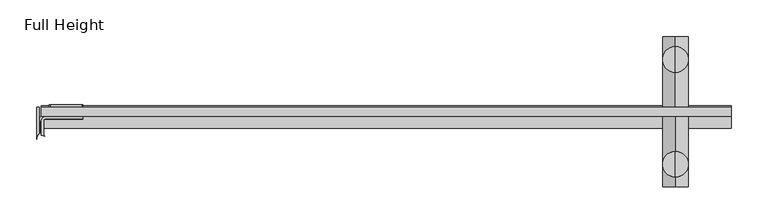
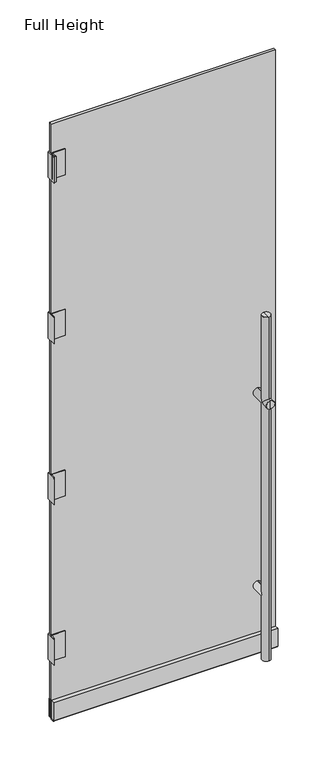
"""IFC4 building model written with IfcOpenShell, lengths in millimetres: plate geometry, Full Height."""

from ifc_helpers import new_model, si_unit, point, frame, frame_2d, origin, place, context, project, spatial, polyline, circle_curve, ellipse_curve, trimmed, segment, composite_curve, outline, extrude, source, transform, mapped, element, save
from ifc_brep_helpers import plane_surface, cylinder_surface, revolved_surface, advanced_brep


def full_height_0d3d3386(model_context):
    return source(origin(), model_context, "Body", "SolidModel", [
        advanced_brep(
        [(395.1192186, -92.4935, 1536.7), (395.1192186, -57.4935, 1536.7), (395.1192186, -57.4935, 1173.2127), (377.6192186, -74.9935, 1155.7127), (395.1192186, -92.4935, 1173.2127), (395.1192186, -57.4935, 12.7), (395.1192186, -92.4935, 12.7), (395.1192186, -92.4935, 1138.2127), (395.1192186, -57.4935, 1138.2127), (395.1192186, -57.4935, 317.5375), (377.6192186, -74.9935, 300.0375), (395.1192186, -57.4935, 282.5375), (395.1192186, -74.9935, 1536.7), (395.1192186, 50.3815, 1536.7), (395.1192186, 85.3815, 1536.7), (395.1192186, 67.8815, 1536.7), (395.1192186, 85.3815, 282.5375), (395.1192186, 50.3815, 282.5375), (395.1192186, 67.8815, 282.5375), (395.1192186, -9.906, 282.5375), (395.1192186, -9.906, 317.5375), (412.6192186, -74.9935, 300.0375), (395.1192186, 2.794, 282.5375), (395.1192186, 2.794, 317.5375), (395.1192186, 50.3815, 317.5375), (377.6192186, 67.8815, 300.0375), (395.1192186, 2.794, 312.5375), (395.1192186, 2.794, 287.5375), (395.1192186, -9.906, 287.5375), (395.1192186, -9.906, 312.5375), (395.1192186, -105.906, 1138.2127), (395.1192186, -105.906, 1173.2127), (395.1192186, -9.906, 1173.2127), (395.1192186, -9.906, 1138.2127), (395.1192186, -9.906, 1143.2127), (395.1192186, -9.906, 1168.2127), (395.1192186, -105.906, 1155.7127), (412.6192186, -74.9935, 1155.7127), (395.1192186, 2.794, 1143.2127), (395.1192186, 2.794, 1168.2127), (395.1192186, 2.794, 1138.2127), (395.1192186, 2.794, 1173.2127), (395.1192186, 50.3815, 1138.2127), (412.6192186, 67.8815, 1155.7127), (395.1192186, 50.3815, 1173.2127), (395.1192186, 98.794, 1138.2127), (395.1192186, 98.794, 1173.2127), (395.1192186, 85.3815, 1173.2127), (395.1192186, 85.3815, 1138.2127), (377.6192186, 67.8815, 1155.7127), (395.1192186, 98.794, 1155.7127), (395.1192186, -74.9935, 12.7), (412.6192186, 67.8815, 300.0375)],
        [
            (0, 1, circle_curve(frame((395.1192186, -74.9935, 1536.7), z_axis=(0.0, 0.0, -1.0), x_axis=(0.0, -1.0, 0.0)), 17.5)),
            (1, 2),
            (2, 3, ellipse_curve(frame((395.1192186, -74.9935, 1155.7127), z_axis=(0.0, -0.7071067811865475, 0.7071067811865475), x_axis=(0.0, 0.7071067811865474, 0.7071067811865477)), 24.7487373, 17.5)),
            (3, 4, ellipse_curve(frame((395.1192186, -74.9935, 1155.7127), z_axis=(0.0, 0.7071067811865475, 0.7071067811865476), x_axis=(0.0, -0.7071067811865476, 0.7071067811865474)), 24.7487373, 17.5)),
            (4, 0),
            (5, 6, circle_curve(frame((395.1192186, -74.9935, 12.7), z_axis=(0.0, 0.0, 1.0), x_axis=(0.0, -1.0, 0.0)), 17.5)),
            (6, 7),
            (7, 3, ellipse_curve(frame((395.1192186, -74.9935, 1155.7127), z_axis=(0.0, 0.7071067811865475, -0.7071067811865475), x_axis=(0.0, 0.7071067811865474, 0.7071067811865477)), 24.7487373, 17.5)),
            (3, 8, ellipse_curve(frame((395.1192186, -74.9935, 1155.7127), z_axis=(0.0, -0.7071067811865475, -0.7071067811865476), x_axis=(0.0, -0.7071067811865476, 0.7071067811865474)), 24.7487373, 17.5)),
            (8, 9),
            (9, 10, ellipse_curve(frame((395.1192186, -74.9935, 300.0375), z_axis=(0.0, -0.7071067811865475, 0.7071067811865475), x_axis=(0.0, 0.7071067811865474, 0.7071067811865477)), 24.7487373, 17.5)),
            (10, 11, ellipse_curve(frame((395.1192186, -74.9935, 300.0375), z_axis=(0.0, -0.7071067811865475, -0.7071067811865476), x_axis=(0.0, -0.7071067811865476, 0.7071067811865474)), 24.7487373, 17.5)),
            (11, 5),
            (0, 1, circle_curve(frame((395.1192186, -74.9935, 1536.7), z_axis=(0.0, 0.0, 1.0), x_axis=(0.0, -1.0, 0.0)), 17.5)),
            (1, 12),
            (12, 0),
            (13, 14, circle_curve(frame((395.1192186, 67.8815, 1536.7), z_axis=(0.0, 0.0, 1.0), x_axis=(0.0, 1.0, 0.0)), 17.5)),
            (14, 15),
            (15, 13),
            (14, 13, circle_curve(frame((395.1192186, 67.8815, 1536.7), z_axis=(0.0, 0.0, 1.0), x_axis=(0.0, 1.0, 0.0)), 17.5)),
            (16, 17, circle_curve(frame((395.1192186, 67.8815, 282.5375), z_axis=(0.0, 0.0, -1.0), x_axis=(0.0, 1.0, 0.0)), 17.5)),
            (17, 18),
            (18, 16),
            (19, 20, circle_curve(frame((395.1192186, -9.906, 300.0375), z_axis=(0.0, -1.0, 0.0), x_axis=(0.0, 0.0, -1.0)), 17.5)),
            (20, 9),
            (9, 21, ellipse_curve(frame((395.1192186, -74.9935, 300.0375), z_axis=(0.0, 0.7071067811865475, -0.7071067811865475), x_axis=(0.0, -0.7071067811865476, -0.7071067811865474)), 24.7487373, 17.5)),
            (21, 11, ellipse_curve(frame((395.1192186, -74.9935, 300.0375), z_axis=(0.0, 0.7071067811865475, 0.7071067811865476), x_axis=(0.0, -0.7071067811865476, 0.7071067811865475)), 24.7487373, 17.5)),
            (11, 19),
            (20, 19, circle_curve(frame((395.1192186, -9.906, 300.0375), z_axis=(0.0, -1.0, 0.0), x_axis=(0.0, 0.0, -1.0)), 17.5)),
            (22, 23, circle_curve(frame((395.1192186, 2.794, 300.0375), z_axis=(0.0, 1.0, 0.0), x_axis=(0.0, 0.0, -1.0)), 17.5)),
            (23, 24),
            (24, 25, ellipse_curve(frame((395.1192186, 67.8815, 300.0375), z_axis=(0.0, -0.7071067811865475, -0.7071067811865475), x_axis=(0.0, -0.7071067811865476, 0.7071067811865474)), 24.7487373, 17.5)),
            (25, 17, ellipse_curve(frame((395.1192186, 67.8815, 300.0375), z_axis=(0.0, -0.7071067811865475, 0.7071067811865476), x_axis=(0.0, -0.7071067811865476, -0.7071067811865475)), 24.7487373, 17.5)),
            (17, 22),
            (26, 27, circle_curve(frame((395.1192186, 2.794, 300.0375), z_axis=(0.0, -1.0, 0.0), x_axis=(0.0, 0.0, -1.0)), 12.5)),
            (27, 28),
            (28, 29, circle_curve(frame((395.1192186, -9.906, 300.0375), z_axis=(0.0, 1.0, 0.0), x_axis=(0.0, 0.0, -1.0)), 12.5)),
            (29, 26),
            (20, 29),
            (28, 19),
            (30, 31, circle_curve(frame((395.1192186, -105.906, 1155.7127), z_axis=(0.0, 1.0, 0.0), x_axis=(0.0, 0.0, 1.0)), 17.5)),
            (31, 4),
            (7, 30),
            (32, 33, circle_curve(frame((395.1192186, -9.906, 1155.7127), z_axis=(0.0, -1.0, 0.0), x_axis=(0.0, 0.0, 1.0)), 17.5)),
            (33, 8),
            (2, 32),
            (32, 33, circle_curve(frame((395.1192186, -9.906, 1155.7127), z_axis=(0.0, 1.0, 0.0), x_axis=(0.0, 0.0, 1.0)), 17.5)),
            (33, 34),
            (34, 35, circle_curve(frame((395.1192186, -9.906, 1155.7127), z_axis=(0.0, -1.0, 0.0), x_axis=(0.0, 0.0, 1.0)), 12.5)),
            (35, 32),
            (30, 31, circle_curve(frame((395.1192186, -105.906, 1155.7127), z_axis=(0.0, -1.0, 0.0), x_axis=(0.0, 0.0, 1.0)), 17.5)),
            (31, 36),
            (36, 30),
            (7, 37, ellipse_curve(frame((395.1192186, -74.9935, 1155.7127), z_axis=(0.0, -0.7071067811865475, 0.7071067811865475), x_axis=(0.0, 0.7071067811865476, 0.7071067811865474)), 24.7487373, 17.5)),
            (37, 4, ellipse_curve(frame((395.1192186, -74.9935, 1155.7127), z_axis=(0.0, -0.7071067811865475, -0.7071067811865476), x_axis=(0.0, 0.7071067811865476, -0.7071067811865475)), 24.7487373, 17.5)),
            (2, 37, ellipse_curve(frame((395.1192186, -74.9935, 1155.7127), z_axis=(0.0, 0.7071067811865475, -0.7071067811865475), x_axis=(0.0, 0.7071067811865476, 0.7071067811865474)), 24.7487373, 17.5)),
            (37, 8, ellipse_curve(frame((395.1192186, -74.9935, 1155.7127), z_axis=(0.0, 0.7071067811865475, 0.7071067811865476), x_axis=(0.0, 0.7071067811865476, -0.7071067811865475)), 24.7487373, 17.5)),
            (35, 34, circle_curve(frame((395.1192186, -9.906, 1155.7127), z_axis=(0.0, -1.0, 0.0), x_axis=(0.0, 0.0, 1.0)), 12.5)),
            (34, 38),
            (38, 39, circle_curve(frame((395.1192186, 2.794, 1155.7127), z_axis=(0.0, -1.0, 0.0), x_axis=(0.0, 0.0, 1.0)), 12.5)),
            (39, 35),
            (39, 38, circle_curve(frame((395.1192186, 2.794, 1155.7127), z_axis=(0.0, -1.0, 0.0), x_axis=(0.0, 0.0, 1.0)), 12.5)),
            (38, 40),
            (40, 41, circle_curve(frame((395.1192186, 2.794, 1155.7127), z_axis=(0.0, -1.0, 0.0), x_axis=(0.0, 0.0, 1.0)), 17.5)),
            (41, 39),
            (41, 40, circle_curve(frame((395.1192186, 2.794, 1155.7127), z_axis=(0.0, -1.0, 0.0), x_axis=(0.0, 0.0, 1.0)), 17.5)),
            (40, 42),
            (42, 43, ellipse_curve(frame((395.1192186, 67.8815, 1155.7127), z_axis=(0.0, -0.7071067811865475, 0.7071067811865476), x_axis=(0.0, 0.7071067811865476, 0.7071067811865475)), 24.7487373, 17.5)),
            (43, 44, ellipse_curve(frame((395.1192186, 67.8815, 1155.7127), z_axis=(0.0, -0.7071067811865475, -0.7071067811865475), x_axis=(0.0, 0.7071067811865476, -0.7071067811865474)), 24.7487373, 17.5)),
            (44, 41),
            (45, 46, circle_curve(frame((395.1192186, 98.794, 1155.7127), z_axis=(0.0, -1.0, 0.0), x_axis=(0.0, 0.0, 1.0)), 17.5)),
            (46, 47),
            (47, 43, ellipse_curve(frame((395.1192186, 67.8815, 1155.7127), z_axis=(0.0, 0.7071067811865475, -0.7071067811865476), x_axis=(0.0, 0.7071067811865476, 0.7071067811865475)), 24.7487373, 17.5)),
            (43, 48, ellipse_curve(frame((395.1192186, 67.8815, 1155.7127), z_axis=(0.0, 0.7071067811865475, 0.7071067811865475), x_axis=(0.0, 0.7071067811865476, -0.7071067811865474)), 24.7487373, 17.5)),
            (48, 45),
            (44, 49, ellipse_curve(frame((395.1192186, 67.8815, 1155.7127), z_axis=(0.0, -0.7071067811865475, -0.7071067811865475), x_axis=(0.0, 0.7071067811865476, -0.7071067811865474)), 24.7487373, 17.5)),
            (49, 42, ellipse_curve(frame((395.1192186, 67.8815, 1155.7127), z_axis=(0.0, -0.7071067811865475, 0.7071067811865476), x_axis=(0.0, 0.7071067811865476, 0.7071067811865475)), 24.7487373, 17.5)),
            (46, 45, circle_curve(frame((395.1192186, 98.794, 1155.7127), z_axis=(0.0, -1.0, 0.0), x_axis=(0.0, 0.0, 1.0)), 17.5)),
            (48, 49, ellipse_curve(frame((395.1192186, 67.8815, 1155.7127), z_axis=(0.0, 0.7071067811865475, 0.7071067811865475), x_axis=(0.0, 0.7071067811865476, -0.7071067811865474)), 24.7487373, 17.5)),
            (49, 47, ellipse_curve(frame((395.1192186, 67.8815, 1155.7127), z_axis=(0.0, 0.7071067811865475, -0.7071067811865476), x_axis=(0.0, 0.7071067811865476, 0.7071067811865475)), 24.7487373, 17.5)),
            (45, 50),
            (50, 46),
            (5, 6, circle_curve(frame((395.1192186, -74.9935, 12.7), z_axis=(0.0, 0.0, -1.0), x_axis=(0.0, -1.0, 0.0)), 17.5)),
            (6, 51),
            (51, 5),
            (13, 44),
            (47, 14),
            (16, 48),
            (42, 24),
            (24, 52, ellipse_curve(frame((395.1192186, 67.8815, 300.0375), z_axis=(0.0, 0.7071067811865475, 0.7071067811865475), x_axis=(0.0, 0.7071067811865474, -0.7071067811865477)), 24.7487373, 17.5)),
            (52, 17, ellipse_curve(frame((395.1192186, 67.8815, 300.0375), z_axis=(0.0, 0.7071067811865475, -0.7071067811865476), x_axis=(0.0, -0.7071067811865476, -0.7071067811865474)), 24.7487373, 17.5)),
            (16, 17, circle_curve(frame((395.1192186, 67.8815, 282.5375), z_axis=(0.0, 0.0, 1.0), x_axis=(0.0, 1.0, 0.0)), 17.5)),
            (23, 22, circle_curve(frame((395.1192186, 2.794, 300.0375), z_axis=(0.0, 1.0, 0.0), x_axis=(0.0, 0.0, -1.0)), 17.5)),
            (23, 26),
            (26, 27, circle_curve(frame((395.1192186, 2.794, 300.0375), z_axis=(0.0, 1.0, 0.0), x_axis=(0.0, 0.0, -1.0)), 12.5)),
            (27, 22),
            (29, 28, circle_curve(frame((395.1192186, -9.906, 300.0375), z_axis=(0.0, 1.0, 0.0), x_axis=(0.0, 0.0, -1.0)), 12.5)),
        ],
        [
            cylinder_surface(frame((395.1192186, -74.9935, 12.7), z_axis=(0.0, 0.0, 1.0), x_axis=(0.0, -1.0, 0.0)), 17.5),
            plane_surface(frame((395.1192186, -74.9935, 1536.7), z_axis=(0.0, 0.0, 1.0), x_axis=(0.0, -1.0, 0.0))),
            plane_surface(frame((395.1192186, 67.8815, 1536.7), z_axis=(0.0, 0.0, 1.0), x_axis=(0.0, 1.0, 0.0))),
            plane_surface(frame((395.1192186, 67.8815, 282.5375), z_axis=(0.0, 0.0, -1.0), x_axis=(0.0, 1.0, 0.0))),
            cylinder_surface(frame((395.1192186, -135.7263601, 300.0375), z_axis=(0.0, -1.0, 0.0), x_axis=(0.0, 0.0, -1.0)), 17.5),
            cylinder_surface(frame((395.1192186, -135.7263601, 300.0375), z_axis=(0.0, -1.0, 0.0), x_axis=(0.0, 0.0, -1.0)), 12.5),
            plane_surface(frame((395.1192186, -9.906, 300.0375), z_axis=(0.0, 1.0, 0.0), x_axis=(0.0, 0.0, -1.0))),
            cylinder_surface(frame((395.1192186, -135.7263601, 1155.7127), z_axis=(0.0, 1.0, 0.0), x_axis=(0.0, 0.0, 1.0)), 17.5),
            plane_surface(frame((395.1192186, -9.906, 1155.7127), z_axis=(0.0, 1.0, 0.0), x_axis=(0.0, 0.0, 1.0))),
            plane_surface(frame((395.1192186, -105.906, 1155.7127), z_axis=(0.0, -1.0, 0.0), x_axis=(0.0, 0.0, 1.0))),
            cylinder_surface(frame((395.1192186, -135.7263601, 1155.7127), z_axis=(0.0, 1.0, 0.0), x_axis=(0.0, 0.0, 1.0)), 12.5),
            plane_surface(frame((395.1192186, 2.794, 1155.7127), z_axis=(0.0, -1.0, 0.0), x_axis=(0.0, 0.0, 1.0))),
            plane_surface(frame((395.1192186, 98.794, 1155.7127), z_axis=(0.0, 1.0, 0.0), x_axis=(0.0, 0.0, 1.0))),
            plane_surface(frame((395.1192186, -74.9935, 12.7), z_axis=(0.0, 0.0, -1.0), x_axis=(0.0, -1.0, 0.0))),
            cylinder_surface(frame((395.1192186, 67.8815, 12.7), z_axis=(0.0, 0.0, -1.0), x_axis=(0.0, 1.0, 0.0)), 17.5),
            plane_surface(frame((395.1192186, 2.794, 300.0375), z_axis=(0.0, -1.0, 0.0), x_axis=(0.0, 0.0, -1.0))),
        ],
        [
            (0, [[1, 2, 3, 4, 5]]),
            (0, [[6, 7, 8, 9, 10, 11, 12, 13]]),
            (1, [[14, 15, 16]]),
            (2, [[17, 18, 19]]),
            (2, [[-18, 20, -19]]),
            (3, [[21, 22, 23]]),
            (4, [[24, 25, 26, 27, 28]]),
            (4, [[29, -28, -12, -11, -25]]),
            (4, [[30, 31, 32, 33, 34]]),
            (5, [[35, 36, 37, 38]]),
            (6, [[-29, 39, -37, 40]]),
            (7, [[41, 42, -4, -8, 43]]),
            (7, [[44, 45, -9, -3, 46]]),
            (8, [[47, 48, 49, 50]]),
            (9, [[51, 52, 53]]),
            (9, [[-52, -41, -53]]),
            (7, [[-51, -43, 54, 55, -42]]),
            (7, [[-47, -46, 56, 57, -45]]),
            (8, [[-44, -50, 58, -48]]),
            (10, [[-49, 59, 60, 61]]),
            (10, [[-58, -61, 62, -59]]),
            (11, [[-60, 63, 64, 65]]),
            (11, [[-62, -65, 66, -63]]),
            (7, [[-64, 67, 68, 69, 70]]),
            (7, [[71, 72, 73, 74, 75]]),
            (7, [[-66, -70, 76, 77, -67]]),
            (7, [[78, -75, 79, 80, -72]]),
            (12, [[-71, 81, 82]]),
            (12, [[-78, -82, -81]]),
            (13, [[83, 84, 85]]),
            (13, [[-84, -6, -85]]),
            (0, [[-83, -13, -27, -26, -10, -57, -54, -7]]),
            (0, [[-14, -5, -55, -56, -2]]),
            (1, [[-1, -16, -15]]),
            (14, [[-17, 86, -69, -73, 87]]),
            (14, [[-21, 88, -74, -68, 89, 90, 91]]),
            (14, [[-20, -87, -80, -76, -86]]),
            (14, [[92, -33, -32, -89, -77, -79, -88]]),
            (3, [[-92, -23, -22]]),
            (4, [[93, -34, -91, -90, -31]]),
            (15, [[-93, 94, 95, 96]]),
            (15, [[-30, -96, -35, -94]]),
            (5, [[-95, -38, 97, -36]]),
            (6, [[-24, -40, -97, -39]]),
        ],
    ),
        extrude(outline(composite_curve([segment(polyline([(-23.876, 10.668), (-9.906, 10.668), (-9.906, 8.382)]), True, "CONTINUOUS"), segment(trimmed(circle_curve(frame_2d((-11.938, 8.382)), 2.032), [point((-9.906, 8.382))], [point((-11.938, 6.35))], False, "CARTESIAN"), True, "CONTINUOUS"), segment(polyline([(-11.938, 6.35), (-21.844, 6.35)]), True, "CONTINUOUS"), segment(trimmed(circle_curve(frame_2d((-21.844, 8.382)), 2.032), [point((-21.844, 6.35))], [point((-23.876, 8.382))], False, "CARTESIAN"), True, "CONTINUOUS"), segment(polyline([(-23.876, 8.382), (-23.876, 10.668)]), True, "CONTINUOUS")], self_intersect=False)), frame((-469.5412186, 0.0, 0.0), z_axis=(1.0, 0.0, 0.0), x_axis=(0.0, 1.0, 0.0)), (0.0, 0.0, 1.0), 940.8604372),
        extrude(outline(polyline([(2.794, 90.932), (4.826, 90.932), (4.826, 10.668), (-25.908, 10.668), (-25.908, 90.932), (-9.906, 90.932), (-9.906, 12.7), (2.794, 12.7), (2.794, 90.932)])), frame((-469.5412186, 0.0, 0.0), z_axis=(1.0, 0.0, 0.0), x_axis=(0.0, 1.0, 0.0)), (0.0, 0.0, 1.0), 940.8604372),
        extrude(outline(composite_curve([segment(polyline([(980.0166667, -412.8992186), (1091.7766667, -412.8992186)]), True, "CONTINUOUS"), segment(trimmed(circle_curve(frame_2d((1091.7766667, -414.1692186)), 1.27), [point((1091.7766667, -412.8992186))], [point((1093.0466667, -414.1692186))], False, "CARTESIAN"), True, "CONTINUOUS"), segment(polyline([(1093.0466667, -414.1692186), (1093.0466667, -457.6286186)]), True, "CONTINUOUS"), segment(trimmed(circle_curve(frame_2d((1091.7766667, -457.6286186)), 1.27), [point((1093.0466667, -457.6286186))], [point((1091.7766667, -458.8986186))], False, "CARTESIAN"), True, "CONTINUOUS"), segment(polyline([(1091.7766667, -458.8986186), (980.0166667, -458.8986186)]), True, "CONTINUOUS"), segment(trimmed(circle_curve(frame_2d((980.0166667, -457.6286186)), 1.27), [point((980.0166667, -458.8986186))], [point((978.7466667, -457.6286186))], False, "CARTESIAN"), True, "CONTINUOUS"), segment(polyline([(978.7466667, -457.6286186), (978.7466667, -414.1692186)]), True, "CONTINUOUS"), segment(trimmed(circle_curve(frame_2d((980.0166667, -414.1692186)), 1.27), [point((978.7466667, -414.1692186))], [point((980.0166667, -412.8992186))], False, "CARTESIAN"), True, "CONTINUOUS")], self_intersect=False)), frame((0.0, 2.794, 0.0), z_axis=(0.0, 1.0, 0.0), x_axis=(0.0, 0.0, 1.0)), (0.0, 0.0, 1.0), 3.048),
        extrude(outline(composite_curve([segment(trimmed(circle_curve(frame_2d((1803.8233333, -414.1692186)), 1.27), [point((1803.8233333, -412.8992186))], [point((1805.0933333, -414.1692186))], False, "CARTESIAN"), True, "CONTINUOUS"), segment(polyline([(1805.0933333, -414.1692186), (1805.0933333, -457.6286186)]), True, "CONTINUOUS"), segment(trimmed(circle_curve(frame_2d((1803.8233333, -457.6286186)), 1.27), [point((1805.0933333, -457.6286186))], [point((1803.8233333, -458.8986186))], False, "CARTESIAN"), True, "CONTINUOUS"), segment(polyline([(1803.8233333, -458.8986186), (1692.0633333, -458.8986186)]), True, "CONTINUOUS"), segment(trimmed(circle_curve(frame_2d((1692.0633333, -457.6286186)), 1.27), [point((1692.0633333, -458.8986186))], [point((1690.7933333, -457.6286186))], False, "CARTESIAN"), True, "CONTINUOUS"), segment(polyline([(1690.7933333, -457.6286186), (1690.7933333, -414.1692186)]), True, "CONTINUOUS"), segment(trimmed(circle_curve(frame_2d((1692.0633333, -414.1692186)), 1.27), [point((1690.7933333, -414.1692186))], [point((1692.0633333, -412.8992186))], False, "CARTESIAN"), True, "CONTINUOUS"), segment(polyline([(1692.0633333, -412.8992186), (1803.8233333, -412.8992186)]), True, "CONTINUOUS")], self_intersect=False)), frame((0.0, 2.794, 0.0), z_axis=(0.0, 1.0, 0.0), x_axis=(0.0, 0.0, 1.0)), (0.0, 0.0, 1.0), 3.048),
        extrude(outline(composite_curve([segment(trimmed(circle_curve(frame_2d((-466.3662186, -40.4876)), 9.525), [point((-470.9128186, -32.11777))], [point((-474.3164186, -35.2416544))], True, "CARTESIAN"), True, "CONTINUOUS"), segment(polyline([(-474.3164186, -35.2416544), (-474.3164186, -16.7386)]), True, "CONTINUOUS"), segment(trimmed(circle_curve(frame_2d((-467.4838186, -16.7386)), 6.8326), [point((-474.3164186, -16.7386))], [point((-467.4838186, -9.906))], False, "CARTESIAN"), True, "CONTINUOUS"), segment(polyline([(-467.4838186, -9.906), (-412.8992186, -9.906), (-412.8992186, -13.3096), (-467.4838186, -13.3096)]), True, "CONTINUOUS"), segment(trimmed(circle_curve(frame_2d((-467.4838186, -16.7386)), 3.429), [point((-467.4838186, -13.3096))], [point((-470.9128186, -16.7386))], True, "CARTESIAN"), True, "CONTINUOUS"), segment(polyline([(-470.9128186, -16.7386), (-470.9128186, -32.11777)]), True, "CONTINUOUS")], self_intersect=False)), frame((0.0, 0.0, 978.7466667), z_axis=(0.0, 0.0, 1.0), x_axis=(1.0, 0.0, 0.0)), (0.0, 0.0, 1.0), 114.3),
        extrude(outline(composite_curve([segment(polyline([(-412.8992186, -13.3096), (-467.4838186, -13.3096)]), True, "CONTINUOUS"), segment(trimmed(circle_curve(frame_2d((-467.4838186, -16.7386)), 3.429), [point((-467.4838186, -13.3096))], [point((-470.9128186, -16.7386))], True, "CARTESIAN"), True, "CONTINUOUS"), segment(polyline([(-470.9128186, -16.7386), (-470.9128186, -32.11777)]), True, "CONTINUOUS"), segment(trimmed(circle_curve(frame_2d((-466.3662186, -40.4876)), 9.525), [point((-470.9128186, -32.11777))], [point((-474.3164186, -35.2416544))], True, "CARTESIAN"), True, "CONTINUOUS"), segment(polyline([(-474.3164186, -35.2416544), (-474.3164186, -16.7386)]), True, "CONTINUOUS"), segment(trimmed(circle_curve(frame_2d((-467.4838186, -16.7386)), 6.8326), [point((-474.3164186, -16.7386))], [point((-467.4838186, -9.906))], False, "CARTESIAN"), True, "CONTINUOUS"), segment(polyline([(-467.4838186, -9.906), (-412.8992186, -9.906), (-412.8992186, -13.3096)]), True, "CONTINUOUS")], self_intersect=False)), frame((0.0, 0.0, 1690.7933333), z_axis=(0.0, 0.0, 1.0), x_axis=(1.0, 0.0, 0.0)), (0.0, 0.0, 1.0), 114.3),
        extrude(outline(composite_curve([segment(polyline([(-469.5412186, -35.8295393), (-469.5412186, -16.002)]), True, "CONTINUOUS"), segment(trimmed(circle_curve(frame_2d((-463.4452186, -16.002)), 6.096), [point((-469.5412186, -16.002))], [point((-463.4452186, -9.906))], False, "CARTESIAN"), True, "CONTINUOUS"), segment(polyline([(-463.4452186, -9.906), (-412.8992186, -9.906), (-412.8992186, -12.954), (-463.4452186, -12.954)]), True, "CONTINUOUS"), segment(trimmed(circle_curve(frame_2d((-463.4452186, -16.002)), 3.048), [point((-463.4452186, -12.954))], [point((-466.4932186, -16.002))], True, "CARTESIAN"), True, "CONTINUOUS"), segment(polyline([(-466.4932186, -16.002), (-466.4932186, -33.8381021)]), True, "CONTINUOUS"), segment(trimmed(circle_curve(frame_2d((-462.6832186, -33.8381021)), 3.81), [point((-466.4932186, -33.8381021))], [point((-464.8097302, -36.9994386))], True, "CARTESIAN"), True, "CONTINUOUS"), segment(trimmed(circle_curve(frame_2d((-468.7792186, -42.9006)), 7.112), [point((-464.8097302, -36.9994386))], [point((-469.5412186, -35.8295393))], True, "CARTESIAN"), True, "CONTINUOUS")], self_intersect=False)), frame((0.0, 0.0, 2402.84), z_axis=(0.0, 0.0, 1.0), x_axis=(1.0, 0.0, 0.0)), (0.0, 0.0, 1.0), 114.3),
        extrude(outline(composite_curve([segment(trimmed(circle_curve(frame_2d((379.73, -457.6286186)), 1.27), [point((381.0, -457.6286186))], [point((379.73, -458.8986186))], False, "CARTESIAN"), True, "CONTINUOUS"), segment(polyline([(379.73, -458.8986186), (267.97, -458.8986186)]), True, "CONTINUOUS"), segment(trimmed(circle_curve(frame_2d((267.97, -457.6286186)), 1.27), [point((267.97, -458.8986186))], [point((266.7, -457.6286186))], False, "CARTESIAN"), True, "CONTINUOUS"), segment(polyline([(266.7, -457.6286186), (266.7, -414.1692186)]), True, "CONTINUOUS"), segment(trimmed(circle_curve(frame_2d((267.97, -414.1692186)), 1.27), [point((266.7, -414.1692186))], [point((267.97, -412.8992186))], False, "CARTESIAN"), True, "CONTINUOUS"), segment(polyline([(267.97, -412.8992186), (379.73, -412.8992186)]), True, "CONTINUOUS"), segment(trimmed(circle_curve(frame_2d((379.73, -414.1692186)), 1.27), [point((379.73, -412.8992186))], [point((381.0, -414.1692186))], False, "CARTESIAN"), True, "CONTINUOUS"), segment(polyline([(381.0, -414.1692186), (381.0, -457.6286186)]), True, "CONTINUOUS")], self_intersect=False)), frame((0.0, 2.794, 0.0), z_axis=(0.0, 1.0, 0.0), x_axis=(0.0, 0.0, 1.0)), (0.0, 0.0, 1.0), 3.048),
        extrude(outline(composite_curve([segment(trimmed(circle_curve(frame_2d((2515.87, -457.6286186)), 1.27), [point((2517.14, -457.6286186))], [point((2515.87, -458.8986186))], False, "CARTESIAN"), True, "CONTINUOUS"), segment(polyline([(2515.87, -458.8986186), (2404.11, -458.8986186)]), True, "CONTINUOUS"), segment(trimmed(circle_curve(frame_2d((2404.11, -457.6286186)), 1.27), [point((2404.11, -458.8986186))], [point((2402.84, -457.6286186))], False, "CARTESIAN"), True, "CONTINUOUS"), segment(polyline([(2402.84, -457.6286186), (2402.84, -414.1692186)]), True, "CONTINUOUS"), segment(trimmed(circle_curve(frame_2d((2404.11, -414.1692186)), 1.27), [point((2402.84, -414.1692186))], [point((2404.11, -412.8992186))], False, "CARTESIAN"), True, "CONTINUOUS"), segment(polyline([(2404.11, -412.8992186), (2515.87, -412.8992186)]), True, "CONTINUOUS"), segment(trimmed(circle_curve(frame_2d((2515.87, -414.1692186)), 1.27), [point((2515.87, -412.8992186))], [point((2517.14, -414.1692186))], False, "CARTESIAN"), True, "CONTINUOUS"), segment(polyline([(2517.14, -414.1692186), (2517.14, -457.6286186)]), True, "CONTINUOUS")], self_intersect=False)), frame((0.0, 2.794, 0.0), z_axis=(0.0, 1.0, 0.0), x_axis=(0.0, 0.0, 1.0)), (0.0, 0.0, 1.0), 3.048),
        extrude(outline(composite_curve([segment(trimmed(circle_curve(frame_2d((-467.4838186, -16.7386)), 6.8326), [point((-474.3164186, -16.7386))], [point((-467.4838186, -9.906))], False, "CARTESIAN"), True, "CONTINUOUS"), segment(polyline([(-467.4838186, -9.906), (-412.8992186, -9.906), (-412.8992186, -13.3096), (-467.4838186, -13.3096)]), True, "CONTINUOUS"), segment(trimmed(circle_curve(frame_2d((-467.4838186, -16.7386)), 3.429), [point((-467.4838186, -13.3096))], [point((-470.9128186, -16.7386))], True, "CARTESIAN"), True, "CONTINUOUS"), segment(polyline([(-470.9128186, -16.7386), (-470.9128186, -32.11777)]), True, "CONTINUOUS"), segment(trimmed(circle_curve(frame_2d((-466.3662186, -40.4876)), 9.525), [point((-470.9128186, -32.11777))], [point((-474.3164186, -35.2416544))], True, "CARTESIAN"), True, "CONTINUOUS"), segment(polyline([(-474.3164186, -35.2416544), (-474.3164186, -16.7386)]), True, "CONTINUOUS")], self_intersect=False)), frame((0.0, 0.0, 266.7), z_axis=(0.0, 0.0, 1.0), x_axis=(1.0, 0.0, 0.0)), (0.0, 0.0, 1.0), 114.3),
        extrude(outline(polyline([(471.3192186, -9.906), (-469.5412186, -9.906), (-469.5412186, 2.794), (471.3192186, 2.794), (471.3192186, -9.906)])), frame((0.0, 0.0, 12.7), z_axis=(0.0, 0.0, 1.0), x_axis=(1.0, 0.0, 0.0)), (0.0, 0.0, 1.0), 2631.44),
        advanced_brep(
        [(-475.8912186, -40.4876, 1805.0933333), (-472.4876186, -33.1900602, 1805.0933333), (-472.4876186, 2.794, 1805.0933333), (-475.8912186, 2.794, 1805.0933333), (-475.8912186, -40.4876, 1690.7933333), (-475.8912186, 2.794, 1690.7933333), (-472.4876186, 2.794, 1690.7933333), (-472.4876186, -33.1900602, 1690.7933333)],
        [
            (0, 1, circle_curve(frame((-466.3662186, -40.4876, 1805.0933333), z_axis=(0.0, 0.0, -1.0), x_axis=(-1.0, 0.0, 0.0)), 9.525)),
            (1, 2),
            (2, 3),
            (3, 0),
            (4, 5),
            (5, 6),
            (6, 7),
            (7, 4, circle_curve(frame((-466.3662186, -40.4876, 1690.7933333), z_axis=(0.0, 0.0, 1.0), x_axis=(-1.0, 0.0, 0.0)), 9.525)),
            (0, 4),
            (7, 1),
            (6, 2),
            (5, 3),
        ],
        [
            plane_surface(frame((-475.8912186, -40.4876, 1805.0933333), z_axis=(0.0, 0.0, 1.0), x_axis=(0.0, 1.0, 0.0))),
            plane_surface(frame((-475.8912186, -40.4876, 1690.7933333), z_axis=(0.0, 0.0, -1.0), x_axis=(0.0, -1.0, 0.0))),
            revolved_surface(polyline([(-475.8912186, -40.4876, 1690.7933333), (-475.8912186, -40.4876, 1805.0933333)]), (-466.3662186, -40.4876, 1690.7933333), (0.0, 0.0, -1.0)),
            plane_surface(frame((-472.4876186, -33.1900602, 1805.0933333), z_axis=(1.0, 0.0, 0.0), x_axis=(0.0, 0.0, -1.0))),
            plane_surface(frame((-472.4876186, 2.794, 1805.0933333), z_axis=(0.0, 1.0, 0.0), x_axis=(0.0, 0.0, -1.0))),
            plane_surface(frame((-475.8912186, 2.794, 1805.0933333), z_axis=(-1.0, 0.0, 0.0), x_axis=(0.0, 0.0, -1.0))),
        ],
        [
            (0, [[1, 2, 3, 4]]),
            (1, [[5, 6, 7, 8]]),
            (2, [[-1, 9, -8, 10]]),
            (3, [[-2, -10, -7, 11]]),
            (4, [[-3, -11, -6, 12]]),
            (5, [[-4, -12, -5, -9]]),
        ],
    ),
        extrude(outline(composite_curve([segment(trimmed(circle_curve(frame_2d((-40.4876, -466.3662186)), 9.525), [point((-40.4876, -475.8912186))], [point((-33.1900602, -472.4876186))], True, "CARTESIAN"), True, "CONTINUOUS"), segment(polyline([(-33.1900602, -472.4876186), (2.794, -472.4876186), (2.794, -475.8912186), (-40.4876, -475.8912186)]), True, "CONTINUOUS")], self_intersect=False)), frame((0.0, 0.0, 1093.0466667), z_axis=(0.0, 0.0, -1.0), x_axis=(0.0, 1.0, 0.0)), (0.0, 0.0, 1.0), 114.3),
        advanced_brep(
        [(-475.8912186, 2.794, 2517.14), (-475.8912186, -40.4876, 2517.14), (-472.4876186, -33.1900602, 2517.14), (-472.4876186, 2.794, 2517.14), (-475.8912186, 2.794, 2402.84), (-472.4876186, 2.794, 2402.84), (-472.4876186, -33.1900602, 2402.84), (-475.8912186, -40.4876, 2402.84)],
        [
            (0, 1),
            (1, 2, circle_curve(frame((-466.3662186, -40.4876, 2517.14), z_axis=(0.0, 0.0, -1.0), x_axis=(-1.0, 0.0, 0.0)), 9.525)),
            (2, 3),
            (3, 0),
            (4, 5),
            (5, 6),
            (6, 7, circle_curve(frame((-466.3662186, -40.4876, 2402.84), z_axis=(0.0, 0.0, 1.0), x_axis=(-1.0, 0.0, 0.0)), 9.525)),
            (7, 4),
            (0, 4),
            (7, 1),
            (6, 2),
            (5, 3),
        ],
        [
            plane_surface(frame((-475.8912186, 2.794, 2517.14), z_axis=(0.0, 0.0, 1.0), x_axis=(0.0, -1.0, 0.0))),
            plane_surface(frame((-475.8912186, 2.794, 2402.84), z_axis=(0.0, 0.0, -1.0), x_axis=(0.0, 1.0, 0.0))),
            plane_surface(frame((-475.8912186, 2.794, 2517.14), z_axis=(-1.0, 0.0, 0.0), x_axis=(0.0, 0.0, -1.0))),
            revolved_surface(polyline([(-475.8912186, -40.4876, 2402.84), (-475.8912186, -40.4876, 2517.14)]), (-466.3662186, -40.4876, 2402.84), (0.0, 0.0, -1.0)),
            plane_surface(frame((-472.4876186, -33.1900602, 2517.14), z_axis=(1.0, 0.0, 0.0), x_axis=(0.0, 0.0, -1.0))),
            plane_surface(frame((-472.4876186, 2.794, 2517.14), z_axis=(0.0, 1.0, 0.0), x_axis=(0.0, 0.0, -1.0))),
        ],
        [
            (0, [[1, 2, 3, 4]]),
            (1, [[5, 6, 7, 8]]),
            (2, [[-1, 9, -8, 10]]),
            (3, [[-2, -10, -7, 11]]),
            (4, [[-3, -11, -6, 12]]),
            (5, [[-4, -12, -5, -9]]),
        ],
    ),
        extrude(outline(composite_curve([segment(polyline([(-475.8912186, -40.4876), (-475.8912186, 2.794), (-472.4876186, 2.794), (-472.4876186, -33.1900602)]), True, "CONTINUOUS"), segment(trimmed(circle_curve(frame_2d((-466.3662186, -40.4876)), 9.525), [point((-472.4876186, -33.1900602))], [point((-475.8912186, -40.4876))], True, "CARTESIAN"), True, "CONTINUOUS")], self_intersect=False)), frame((0.0, 0.0, 266.7), z_axis=(0.0, 0.0, 1.0), x_axis=(1.0, 0.0, 0.0)), (0.0, 0.0, 1.0), 114.3),
    ])


if __name__ == "__main__":
    model = new_model("IFC4")
    model_context = context("Model", 3, world=origin())
    ifc_project = project(units=[si_unit("LENGTHUNIT", "METRE", prefix="MILLI")], contexts=[model_context])
    site = spatial("IfcSite", under=ifc_project)
    building = spatial("IfcBuilding", under=site)
    placement = place(None, origin())
    full_height_shape = full_height_0d3d3386(model_context)
    element("IfcPlate", 1, ObjectType="Full Height", at=placement, inside=building, context=model_context, shape_type="MappedRepresentation", body=[
        mapped(full_height_shape, transform((0.0, 0.0, 0.0), x_axis=(1.0, 0.0, 0.0), y_axis=(0.0, 1.0, 0.0), z_axis=(0.0, 0.0, 1.0))),
    ])
    save(model, "model.ifc")
